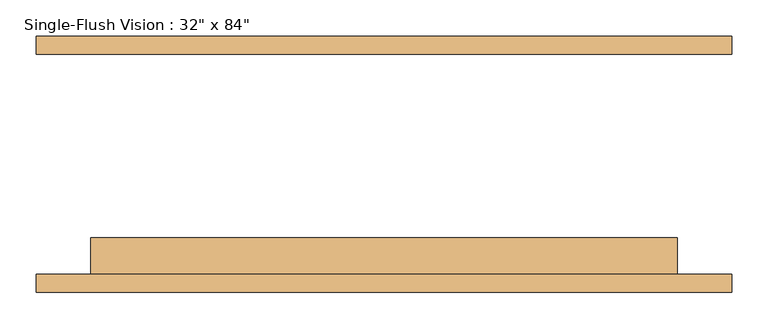
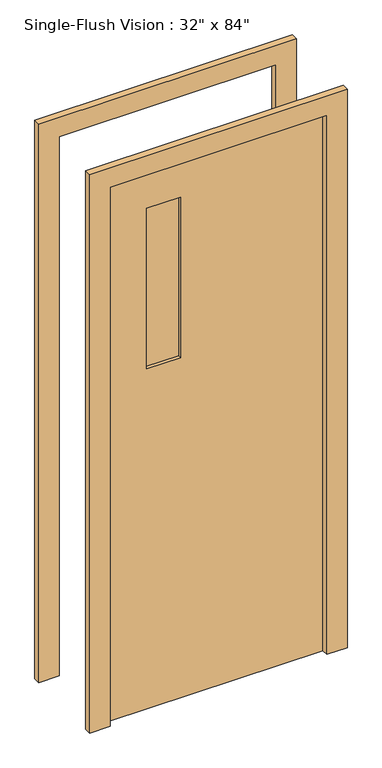
"""IFC4 building model written with IfcOpenShell, lengths in millimetres: door geometry."""

from ifc_helpers import new_model, si_unit, frame, origin, place, context, project, spatial, polyline, outline, extrude, source, transform, mapped, element, save


def door_81e0b0a7(model_context):
    return source(origin(), model_context, "Body", "SweptSolid", [
        extrude(outline(polyline([(2209.8, -482.6), (0.0, -482.6), (0.0, -406.4), (2133.6, -406.4), (2133.6, 406.4), (0.0, 406.4), (0.0, 482.6), (2209.8, 482.6), (2209.8, -482.6)])), frame((0.0, -177.8, 0.0), z_axis=(0.0, 1.0, 0.0), x_axis=(0.0, 0.0, 1.0)), (0.0, 0.0, 1.0), 25.4),
        extrude(outline(polyline([(2133.6, 406.4), (0.0, 406.4), (0.0, 482.6), (2209.8, 482.6), (2209.8, -482.6), (0.0, -482.6), (0.0, -406.4), (2133.6, -406.4), (2133.6, 406.4)])), frame((0.0, 152.4, 0.0), z_axis=(0.0, 1.0, 0.0), x_axis=(0.0, 0.0, 1.0)), (0.0, 0.0, 1.0), 25.4),
        extrude(outline(polyline([(-127.0, -114.3), (-127.0, -120.65), (-254.0, -120.65), (-254.0, -114.3), (-127.0, -114.3)])), frame((0.0, 0.0, 1346.2), z_axis=(0.0, 0.0, 1.0), x_axis=(1.0, 0.0, 0.0)), (0.0, 0.0, 1.0), 635.0),
        extrude(outline(polyline([(-127.0, -133.35), (-127.0, -139.7), (-254.0, -139.7), (-254.0, -133.35), (-127.0, -133.35)])), frame((0.0, 0.0, 1346.2), z_axis=(0.0, 0.0, 1.0), x_axis=(1.0, 0.0, 0.0)), (0.0, 0.0, 1.0), 635.0),
        extrude(outline(polyline([(2133.6, -406.4), (0.0, -406.4), (0.0, 406.4), (2133.6, 406.4), (2133.6, -406.4)]), holes=[polyline([(1981.2, -254.0), (1981.2, -127.0), (1346.2, -127.0), (1346.2, -254.0), (1981.2, -254.0)])]), frame((0.0, -152.4, 0.0), z_axis=(0.0, 1.0, 0.0), x_axis=(0.0, 0.0, 1.0)), (0.0, 0.0, 1.0), 50.8),
    ])


if __name__ == "__main__":
    model = new_model("IFC4")
    model_context = context("Model", 3, world=origin())
    ifc_project = project(units=[si_unit("LENGTHUNIT", "METRE", prefix="MILLI")], contexts=[model_context])
    site = spatial("IfcSite", under=ifc_project)
    building = spatial("IfcBuilding", under=site)
    placement = place(None, origin())
    door_shape = door_81e0b0a7(model_context)
    element("IfcDoor", 1, ObjectType="Single-Flush Vision : 32\" x 84\"", at=placement, inside=building, context=model_context, shape_type="MappedRepresentation", body=[
        mapped(door_shape, transform((0.0, 0.0, 0.0), x_axis=(1.0, 0.0, 0.0), y_axis=(0.0, 1.0, 0.0), z_axis=(0.0, 0.0, 1.0))),
    ])
    save(model, "model.ifc")
